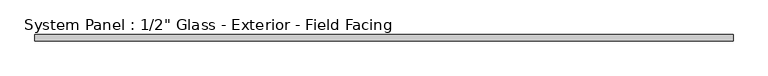
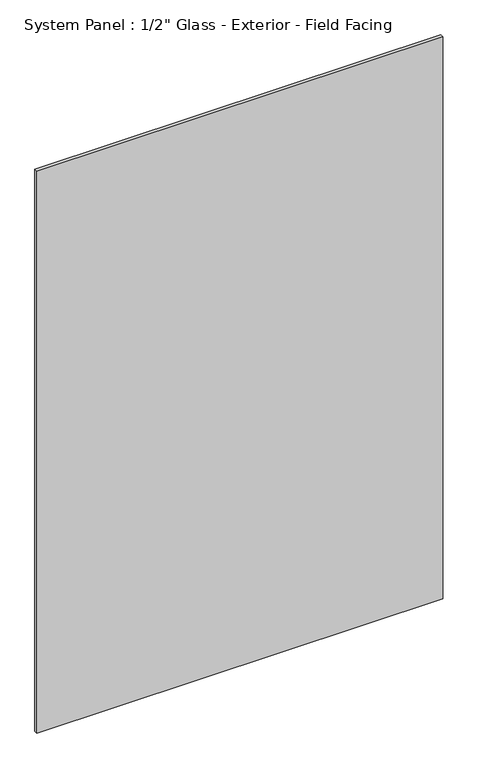
"""IFC4 building model written with IfcOpenShell, lengths in millimetres: plate geometry."""

from ifc_helpers import new_model, si_unit, origin, origin_with_axes, place, context, project, spatial, polyline, outline, extrude, source, transform, mapped, element, save


def plate_6323b291(model_context):
    return source(origin(), model_context, "Body", "SweptSolid", [
        extrude(outline(polyline([(759.8845358, -1.95), (-759.8845358, -1.95), (-759.8845358, 11.55), (759.8845358, 11.55), (759.8845358, -1.95)])), origin_with_axes(), (0.0, 0.0, 1.0), 2223.15),
    ])


if __name__ == "__main__":
    model = new_model("IFC4")
    model_context = context("Model", 3, world=origin())
    ifc_project = project(units=[si_unit("LENGTHUNIT", "METRE", prefix="MILLI")], contexts=[model_context])
    site = spatial("IfcSite", under=ifc_project)
    building = spatial("IfcBuilding", under=site)
    placement = place(None, origin())
    plate_shape = plate_6323b291(model_context)
    element("IfcPlate", 1, ObjectType="System Panel : 1/2\" Glass - Exterior - Field Facing", at=placement, inside=building, context=model_context, shape_type="MappedRepresentation", body=[
        mapped(plate_shape, transform((0.0, 0.0, 0.0), x_axis=(1.0, 0.0, 0.0), y_axis=(0.0, 1.0, 0.0), z_axis=(0.0, 0.0, 1.0))),
    ])
    save(model, "model.ifc")
